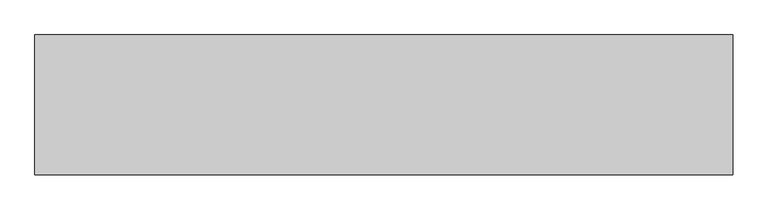
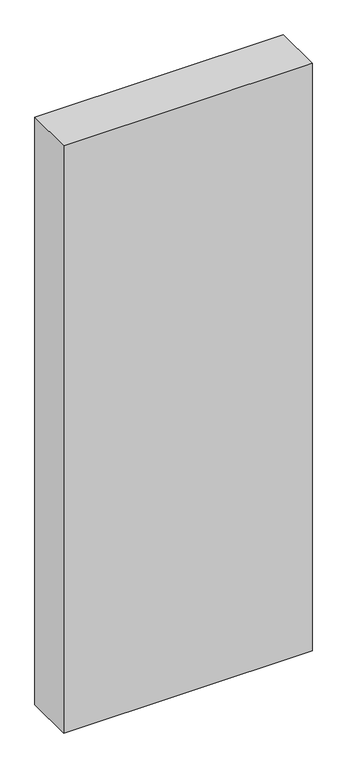
"""IFC4 building model written with IfcOpenShell, lengths in millimetres: proxy geometry."""

from ifc_helpers import new_model, si_unit, origin, origin_with_axes, place, context, project, spatial, polyline, outline, extrude, source, transform, mapped, element, save


def generic_models_b8ef1d42(model_context):
    return source(origin(), model_context, "Body", "SweptSolid", [
        extrude(outline(polyline([(1000.0, 200.0), (1000.0, 0.0), (0.0, 0.0), (0.0, 200.0), (1000.0, 200.0)])), origin_with_axes(), (0.0, 0.0, 1.0), 2500.0),
    ])


if __name__ == "__main__":
    model = new_model("IFC4")
    model_context = context("Model", 3, world=origin())
    ifc_project = project(units=[si_unit("LENGTHUNIT", "METRE", prefix="MILLI")], contexts=[model_context])
    site = spatial("IfcSite", under=ifc_project)
    building = spatial("IfcBuilding", under=site)
    placement = place(None, origin())
    generic_models_shape = generic_models_b8ef1d42(model_context)
    element("IfcBuildingElementProxy", 1, Name="Generic Models", at=placement, inside=building, context=model_context, shape_type="MappedRepresentation", body=[
        mapped(generic_models_shape, transform((0.0, 0.0, 0.0), x_axis=(1.0, 0.0, 0.0), y_axis=(0.0, 1.0, 0.0), z_axis=(0.0, 0.0, 1.0))),
    ])
    save(model, "model.ifc")
